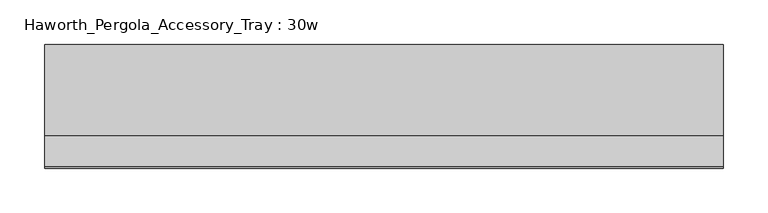
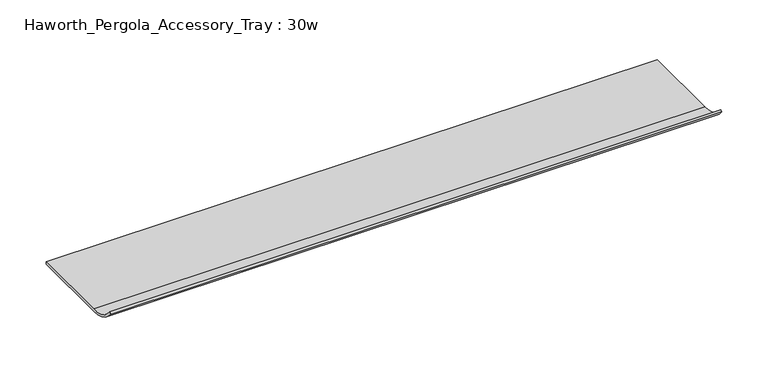
"""IFC4 building model written with IfcOpenShell, lengths in millimetres: furniture geometry, Haworth_Pergola_Accessory_Tray : 30w."""

from ifc_helpers import new_model, si_unit, point, frame, frame_2d, origin, place, context, project, spatial, polyline, circle_curve, trimmed, segment, composite_curve, outline, extrude, source, transform, mapped, element, save


def haworth_pergola_accessory_tray_30w_84fb82ea(model_context):
    return source(origin(), model_context, "Body", "SweptSolid", [
        extrude(outline(composite_curve([segment(polyline([(249.4228671, 1003.3047625), (249.4228671, 1000.3282), (146.8537349, 1000.3282)]), True, "CONTINUOUS"), segment(trimmed(circle_curve(frame_2d((146.8537349, 1046.6372829)), 46.3090829), [point((146.8537349, 1000.3282))], [point((109.8323902, 1018.8173045))], False, "CARTESIAN"), True, "CONTINUOUS"), segment(polyline([(109.8323902, 1018.8173045), (111.7841541, 1020.7690684)]), True, "CONTINUOUS"), segment(trimmed(circle_curve(frame_2d((146.8538064, 1047.2481777)), 43.9434152), [point((111.7841541, 1020.7690684))], [point((146.8538064, 1003.3047625))], True, "CARTESIAN"), True, "CONTINUOUS"), segment(polyline([(146.8538064, 1003.3047625), (249.4228671, 1003.3047625)]), True, "CONTINUOUS")], self_intersect=False)), frame((99.0179615, 0.0, 0.0), z_axis=(1.0, 0.0, 0.0), x_axis=(0.0, 1.0, 0.0)), (0.0, 0.0, 1.0), 762.0),
    ])


if __name__ == "__main__":
    model = new_model("IFC4")
    model_context = context("Model", 3, world=origin())
    ifc_project = project(units=[si_unit("LENGTHUNIT", "METRE", prefix="MILLI")], contexts=[model_context])
    site = spatial("IfcSite", under=ifc_project)
    building = spatial("IfcBuilding", under=site)
    placement = place(None, origin())
    haworth_pergola_accessory_tray_30w_shape = haworth_pergola_accessory_tray_30w_84fb82ea(model_context)
    element("IfcFurniture", 1, ObjectType="Haworth_Pergola_Accessory_Tray : 30w", at=placement, inside=building, context=model_context, shape_type="MappedRepresentation", body=[
        mapped(haworth_pergola_accessory_tray_30w_shape, transform((0.0, 0.0, 0.0), x_axis=(1.0, 0.0, 0.0), y_axis=(0.0, 1.0, 0.0), z_axis=(0.0, 0.0, 1.0))),
    ])
    save(model, "model.ifc")
